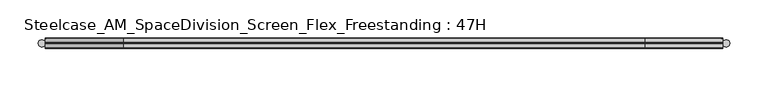
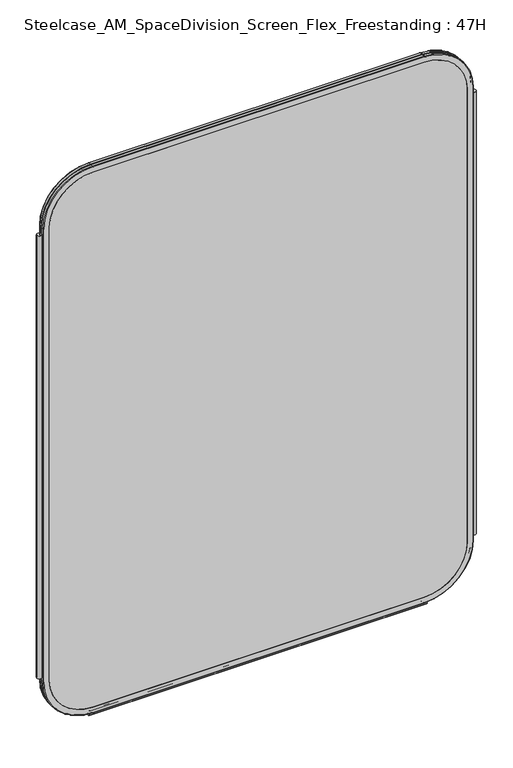
"""IFC4 building model written with IfcOpenShell, lengths in millimetres: furniture geometry, Steelcase_AM_SpaceDivision_Screen_Flex_Freestanding : 47H."""

from ifc_helpers import new_model, si_unit, point, frame, frame_2d, origin, place, context, project, spatial, polyline, circle_curve, ellipse_curve, trimmed, segment, composite_curve, outline, extrude, source, transform, mapped, element, save
from ifc_brep_helpers import plane_surface, cylinder_surface, revolved_surface, advanced_brep


def steelcase_am_spacedivision_screen_flex_freestanding_47h_c3e81d6d(model_context):
    return source(origin(), model_context, "Body", "SolidModel", [
        extrude(outline(composite_curve([segment(trimmed(circle_curve(frame_2d((4.5307839, 0.0)), 4.572), [point((-0.0412161, 0.0))], [point((9.1027839, 0.0))], False, "CARTESIAN"), True, "CONTINUOUS"), segment(trimmed(circle_curve(frame_2d((4.5307839, 0.0)), 4.572), [point((9.1027839, 0.0))], [point((-0.0412161, 0.0))], False, "CARTESIAN"), True, "CONTINUOUS")], self_intersect=False)), frame((0.0, 0.0, 115.57), z_axis=(0.0, 0.0, 1.0), x_axis=(1.0, 0.0, 0.0)), (0.0, 0.0, 1.0), 962.66),
        extrude(outline(composite_curve([segment(trimmed(circle_curve(frame_2d((898.7749587, 0.0)), 4.572), [point((894.2029587, 0.0))], [point((903.3469587, 0.0))], False, "CARTESIAN"), True, "CONTINUOUS"), segment(trimmed(circle_curve(frame_2d((898.7749587, 0.0)), 4.572), [point((903.3469587, 0.0))], [point((894.2029587, 0.0))], False, "CARTESIAN"), True, "CONTINUOUS")], self_intersect=False)), frame((0.0, 0.0, 115.57), z_axis=(0.0, 0.0, 1.0), x_axis=(1.0, 0.0, 0.0)), (0.0, 0.0, 1.0), 962.66),
        extrude(outline(composite_curve([segment(trimmed(circle_curve(frame_2d((3.5, 2.4751953)), 2.5), [point((3.5, 4.9751953))], [point((1.4656663, 1.0220998))], False, "CARTESIAN"), True, "CONTINUOUS"), segment(trimmed(circle_curve(frame_2d((0.0, -0.0248047)), 1.8011626), [point((1.4656663, 1.0220998))], [point((-1.4656663, 1.0220998))], True, "CARTESIAN"), True, "CONTINUOUS"), segment(trimmed(circle_curve(frame_2d((-3.5, 2.4751953)), 2.5), [point((-1.4656663, 1.0220998))], [point((-3.5, 4.9751953))], False, "CARTESIAN"), True, "CONTINUOUS"), segment(trimmed(circle_curve(frame_2d((-3.5, 4.4751953)), 0.5), [point((-3.5, 4.9751953))], [point((-3.5, 3.9751953))], False, "CARTESIAN"), True, "CONTINUOUS"), segment(trimmed(circle_curve(frame_2d((-3.5, 2.4751953)), 1.5), [point((-3.5, 3.9751953))], [point((-2.3025096, 1.5718589))], True, "CARTESIAN"), True, "CONTINUOUS"), segment(trimmed(circle_curve(frame_2d((-10.3325937, 7.629417)), 10.0586411), [point((-2.3025096, 1.5718589))], [point((-0.714976, 4.6836248))], True, "CARTESIAN"), True, "CONTINUOUS"), segment(trimmed(circle_curve(frame_2d((0.0, 4.4646339)), 0.7477618), [point((-0.714976, 4.6836248))], [point((0.714976, 4.6836248))], False, "CARTESIAN"), True, "CONTINUOUS"), segment(trimmed(circle_curve(frame_2d((10.3325937, 7.629417)), 10.0586411), [point((0.714976, 4.6836248))], [point((2.3025096, 1.5718589))], True, "CARTESIAN"), True, "CONTINUOUS"), segment(trimmed(circle_curve(frame_2d((3.5, 2.4751953)), 1.5), [point((2.3025096, 1.5718589))], [point((3.5, 3.9751953))], True, "CARTESIAN"), True, "CONTINUOUS"), segment(trimmed(circle_curve(frame_2d((3.5, 4.4751953)), 0.5), [point((3.5, 3.9751953))], [point((3.5, 4.9751953))], False, "CARTESIAN"), True, "CONTINUOUS")], self_intersect=False)), frame((104.1640108, 0.0, 0.0), z_axis=(1.0, 0.0, 0.0), x_axis=(0.0, 1.0, 0.0)), (0.0, 0.0, 1.0), 694.9777209),
        advanced_brep(
        [(9.9273521, 0.0, 1092.2), (9.9273521, 0.0, 106.5996464), (110.7653521, 0.0, 5.7616464), (792.5652086, 0.0, 5.7616464), (893.4032086, 0.0, 106.5996464), (893.4032086, 0.0, 1092.2), (792.5652086, 0.0, 1193.038), (110.7653521, 0.0, 1193.038), (792.5652086, 0.0, 17.6996464), (110.7653521, 0.0, 17.6996464), (21.8653521, 0.0, 106.5996464), (21.8653521, 0.0, 1092.2), (110.7653521, 0.0, 1181.1), (792.5652086, 0.0, 1181.1), (881.4652086, 0.0, 1092.2), (881.4652086, 0.0, 106.5996464), (110.7653521, 0.762, 1193.8), (9.1653521, 0.762, 1092.2), (110.7653521, 6.096, 1193.8), (9.1653521, 6.096, 1092.2), (110.7653521, 6.858, 1193.038), (9.9273521, 6.858, 1092.2), (21.8653521, 6.858, 1092.2), (110.7653521, 6.858, 1181.1), (792.5652086, 0.762, 1193.8), (792.5652086, 6.096, 1193.8), (792.5652086, 6.858, 1193.038), (792.5652086, 6.858, 1181.1), (894.1652086, 0.762, 1092.2), (894.1652086, 6.096, 1092.2), (893.4032086, 6.858, 1092.2), (881.4652086, 6.858, 1092.2), (894.1652086, 0.762, 106.5996464), (894.1652086, 6.096, 106.5996464), (893.4032086, 6.858, 106.5996464), (881.4652086, 6.858, 106.5996464), (792.5652086, 0.762, 4.9996464), (792.5652086, 6.096, 4.9996464), (792.5652086, 6.858, 5.7616464), (792.5652086, 6.858, 17.6996464), (110.7653521, 0.762, 4.9996464), (110.7653521, 6.096, 4.9996464), (110.7653521, 6.858, 5.7616464), (110.7653521, 6.858, 17.6996464), (9.1653521, 0.762, 106.5996464), (9.1653521, 6.096, 106.5996464), (9.9273521, 6.858, 106.5996464), (21.8653521, 6.858, 106.5996464)],
        [
            (0, 1),
            (1, 2, circle_curve(frame((110.7653521, 0.0, 106.5996464), z_axis=(0.0, -1.0, 0.0), x_axis=(0.0, 0.0, -1.0)), 100.838)),
            (2, 3),
            (3, 4, circle_curve(frame((792.5652086, 0.0, 106.5996464), z_axis=(0.0, -1.0, 0.0), x_axis=(1.0, 0.0, 0.0)), 100.838)),
            (4, 5),
            (5, 6, circle_curve(frame((792.5652086, 0.0, 1092.2), z_axis=(0.0, -1.0, 0.0), x_axis=(0.0, 0.0, 1.0)), 100.838)),
            (6, 7),
            (7, 0, circle_curve(frame((110.7653521, 0.0, 1092.2), z_axis=(0.0, -1.0, 0.0), x_axis=(-1.0, 0.0, 0.0)), 100.838)),
            (8, 9),
            (9, 10, circle_curve(frame((110.7653521, 0.0, 106.5996464), z_axis=(0.0, 1.0, 0.0), x_axis=(0.0, 0.0, -1.0)), 88.9)),
            (10, 11),
            (11, 12, circle_curve(frame((110.7653521, 0.0, 1092.2), z_axis=(0.0, 1.0, 0.0), x_axis=(-1.0, 0.0, 0.0)), 88.9)),
            (12, 13),
            (13, 14, circle_curve(frame((792.5652086, 0.0, 1092.2), z_axis=(0.0, 1.0, 0.0), x_axis=(0.0, 0.0, 1.0)), 88.9)),
            (14, 15),
            (15, 8, circle_curve(frame((792.5652086, 0.0, 106.5996464), z_axis=(0.0, 1.0, 0.0), x_axis=(1.0, 0.0, 0.0)), 88.9)),
            (16, 17, circle_curve(frame((110.7653521, 0.762, 1092.2), z_axis=(0.0, -1.0, 0.0), x_axis=(-1.0, 0.0, 0.0)), 101.6)),
            (17, 0, circle_curve(frame((9.9273521, 0.762, 1092.2), z_axis=(0.0, 0.0, 1.0), x_axis=(-1.0, 0.0, 0.0)), 0.762)),
            (7, 16, circle_curve(frame((110.7653521, 0.762, 1193.038), z_axis=(-1.0, 0.0, 0.0), x_axis=(0.0, 0.0, 1.0)), 0.762)),
            (18, 19, circle_curve(frame((110.7653521, 6.096, 1092.2), z_axis=(0.0, -1.0, 0.0), x_axis=(-1.0, 0.0, 0.0)), 101.6)),
            (19, 17),
            (16, 18),
            (20, 21, circle_curve(frame((110.7653521, 6.858, 1092.2), z_axis=(0.0, -1.0, 0.0), x_axis=(-1.0, 0.0, 0.0)), 100.838)),
            (21, 19, circle_curve(frame((9.9273521, 6.096, 1092.2), z_axis=(0.0, 0.0, 1.0), x_axis=(-1.0, 0.0, 0.0)), 0.762)),
            (18, 20, circle_curve(frame((110.7653521, 6.096, 1193.038), z_axis=(-1.0, 0.0, 0.0), x_axis=(0.0, 0.0, 1.0)), 0.762)),
            (11, 22),
            (22, 23, circle_curve(frame((110.7653521, 6.858, 1092.2), z_axis=(0.0, 1.0, 0.0), x_axis=(-1.0, 0.0, 0.0)), 88.9)),
            (23, 12),
            (6, 24, circle_curve(frame((792.5652086, 0.762, 1193.038), z_axis=(-1.0, 0.0, 0.0), x_axis=(0.0, 0.0, 1.0)), 0.762)),
            (24, 16),
            (24, 25),
            (25, 18),
            (25, 26, circle_curve(frame((792.5652086, 6.096, 1193.038), z_axis=(-1.0, 0.0, 0.0), x_axis=(0.0, 0.0, 1.0)), 0.762)),
            (26, 20),
            (23, 27),
            (27, 13),
            (28, 24, circle_curve(frame((792.5652086, 0.762, 1092.2), z_axis=(0.0, -1.0, 0.0), x_axis=(0.0, 0.0, 1.0)), 101.6)),
            (5, 28, circle_curve(frame((893.4032086, 0.762, 1092.2), z_axis=(0.0, 0.0, 1.0), x_axis=(1.0, 0.0, 0.0)), 0.762)),
            (29, 25, circle_curve(frame((792.5652086, 6.096, 1092.2), z_axis=(0.0, -1.0, 0.0), x_axis=(0.0, 0.0, 1.0)), 101.6)),
            (28, 29),
            (30, 26, circle_curve(frame((792.5652086, 6.858, 1092.2), z_axis=(0.0, -1.0, 0.0), x_axis=(0.0, 0.0, 1.0)), 100.838)),
            (29, 30, circle_curve(frame((893.4032086, 6.096, 1092.2), z_axis=(0.0, 0.0, 1.0), x_axis=(1.0, 0.0, 0.0)), 0.762)),
            (27, 31, circle_curve(frame((792.5652086, 6.858, 1092.2), z_axis=(0.0, 1.0, 0.0), x_axis=(0.0, 0.0, 1.0)), 88.9)),
            (31, 14),
            (4, 32, circle_curve(frame((893.4032086, 0.762, 106.5996464), z_axis=(0.0, 0.0, 1.0), x_axis=(1.0, 0.0, 0.0)), 0.762)),
            (32, 28),
            (32, 33),
            (33, 29),
            (33, 34, circle_curve(frame((893.4032086, 6.096, 106.5996464), z_axis=(0.0, 0.0, 1.0), x_axis=(1.0, 0.0, 0.0)), 0.762)),
            (34, 30),
            (31, 35),
            (35, 15),
            (36, 32, circle_curve(frame((792.5652086, 0.762, 106.5996464), z_axis=(0.0, -1.0, 0.0), x_axis=(1.0, 0.0, 0.0)), 101.6)),
            (3, 36, circle_curve(frame((792.5652086, 0.762, 5.7616464), z_axis=(1.0, 0.0, 0.0), x_axis=(0.0, 0.0, -1.0)), 0.762)),
            (37, 33, circle_curve(frame((792.5652086, 6.096, 106.5996464), z_axis=(0.0, -1.0, 0.0), x_axis=(1.0, 0.0, 0.0)), 101.6)),
            (36, 37),
            (38, 34, circle_curve(frame((792.5652086, 6.858, 106.5996464), z_axis=(0.0, -1.0, 0.0), x_axis=(1.0, 0.0, 0.0)), 100.838)),
            (37, 38, circle_curve(frame((792.5652086, 6.096, 5.7616464), z_axis=(1.0, 0.0, 0.0), x_axis=(0.0, 0.0, -1.0)), 0.762)),
            (35, 39, circle_curve(frame((792.5652086, 6.858, 106.5996464), z_axis=(0.0, 1.0, 0.0), x_axis=(1.0, 0.0, 0.0)), 88.9)),
            (39, 8),
            (2, 40, circle_curve(frame((110.7653521, 0.762, 5.7616464), z_axis=(1.0, 0.0, 0.0), x_axis=(0.0, 0.0, -1.0)), 0.762)),
            (40, 36),
            (40, 41),
            (41, 37),
            (41, 42, circle_curve(frame((110.7653521, 6.096, 5.7616464), z_axis=(1.0, 0.0, 0.0), x_axis=(0.0, 0.0, -1.0)), 0.762)),
            (42, 38),
            (39, 43),
            (43, 9),
            (44, 40, circle_curve(frame((110.7653521, 0.762, 106.5996464), z_axis=(0.0, -1.0, 0.0), x_axis=(0.0, 0.0, -1.0)), 101.6)),
            (1, 44, circle_curve(frame((9.9273521, 0.762, 106.5996464), z_axis=(0.0, 0.0, -1.0), x_axis=(-1.0, 0.0, 0.0)), 0.762)),
            (45, 41, circle_curve(frame((110.7653521, 6.096, 106.5996464), z_axis=(0.0, -1.0, 0.0), x_axis=(0.0, 0.0, -1.0)), 101.6)),
            (44, 45),
            (46, 42, circle_curve(frame((110.7653521, 6.858, 106.5996464), z_axis=(0.0, -1.0, 0.0), x_axis=(0.0, 0.0, -1.0)), 100.838)),
            (45, 46, circle_curve(frame((9.9273521, 6.096, 106.5996464), z_axis=(0.0, 0.0, -1.0), x_axis=(-1.0, 0.0, 0.0)), 0.762)),
            (43, 47, circle_curve(frame((110.7653521, 6.858, 106.5996464), z_axis=(0.0, 1.0, 0.0), x_axis=(0.0, 0.0, -1.0)), 88.9)),
            (47, 10),
            (17, 44),
            (19, 45),
            (21, 46),
            (22, 47),
        ],
        [
            plane_surface(frame((21.8653521, 0.0, 106.5996464), z_axis=(0.0, -1.0, 0.0), x_axis=(0.0, 0.0, 1.0))),
            revolved_surface(trimmed(ellipse_curve(frame((9.9273521, 0.762, 1092.2), z_axis=(0.0, 0.0, -1.0), x_axis=(-1.0, 0.0, 0.0)), 0.762, 0.762), [point((9.9273521, 0.0, 1092.2))], [point((9.1653521, 0.762, 1092.2))], True, "CARTESIAN"), (110.7653521, 0.0, 1092.2), (0.0, 1.0, 0.0)),
            cylinder_surface(frame((110.7653521, 0.0, 1092.2), z_axis=(0.0, 1.0, 0.0), x_axis=(-1.0, 0.0, 0.0)), 101.6),
            revolved_surface(trimmed(ellipse_curve(frame((9.9273521, 6.096, 1092.2), z_axis=(0.0, 0.0, -1.0), x_axis=(-1.0, 0.0, 0.0)), 0.762, 0.762), [point((9.1653521, 6.096, 1092.2))], [point((9.9273521, 6.858, 1092.2))], True, "CARTESIAN"), (110.7653521, 0.0, 1092.2), (0.0, 1.0, 0.0)),
            revolved_surface(polyline([(21.865352099999996, 6.858, 1092.2), (21.865352099999996, 0.0, 1092.2)]), (110.7653521, 0.0, 1092.2), (0.0, 1.0, 0.0)),
            cylinder_surface(frame((110.7653521, 0.762, 1193.038), z_axis=(-1.0, 0.0, 0.0), x_axis=(0.0, 0.0, 1.0)), 0.762),
            plane_surface(frame((110.7653521, 0.762, 1193.8), z_axis=(0.0, 0.0, 1.0), x_axis=(1.0, 0.0, 0.0))),
            cylinder_surface(frame((110.7653521, 6.096, 1193.038), z_axis=(-1.0, 0.0, 0.0), x_axis=(0.0, 0.0, 1.0)), 0.762),
            plane_surface(frame((110.7653521, 6.858, 1181.1), z_axis=(0.0, 0.0, -1.0), x_axis=(1.0, 0.0, 0.0))),
            revolved_surface(trimmed(ellipse_curve(frame((792.5652086, 0.762, 1193.038), z_axis=(-1.0, 0.0, 0.0), x_axis=(0.0, 0.0, 1.0)), 0.762, 0.762), [point((792.5652086, 0.0, 1193.038))], [point((792.5652086, 0.762, 1193.8))], True, "CARTESIAN"), (792.5652086, 0.0, 1092.2), (0.0, 1.0, 0.0)),
            cylinder_surface(frame((792.5652086, 0.0, 1092.2), z_axis=(0.0, 1.0, 0.0), x_axis=(0.0, 0.0, 1.0)), 101.6),
            revolved_surface(trimmed(ellipse_curve(frame((792.5652086, 6.096, 1193.038), z_axis=(-1.0, 0.0, 0.0), x_axis=(0.0, 0.0, 1.0)), 0.762, 0.762), [point((792.5652086, 6.096, 1193.8))], [point((792.5652086, 6.858, 1193.038))], True, "CARTESIAN"), (792.5652086, 0.0, 1092.2), (0.0, 1.0, 0.0)),
            revolved_surface(polyline([(792.5652086, 6.858, 1181.1000000000001), (792.5652086, 0.0, 1181.1000000000001)]), (792.5652086, 0.0, 1092.2), (0.0, 1.0, 0.0)),
            cylinder_surface(frame((893.4032086, 0.762, 1092.2), z_axis=(0.0, 0.0, 1.0), x_axis=(1.0, 0.0, 0.0)), 0.762),
            plane_surface(frame((894.1652086, 0.762, 1092.2), z_axis=(1.0, 0.0, 0.0), x_axis=(0.0, 0.0, -1.0))),
            cylinder_surface(frame((893.4032086, 6.096, 1092.2), z_axis=(0.0, 0.0, 1.0), x_axis=(1.0, 0.0, 0.0)), 0.762),
            plane_surface(frame((881.4652086, 6.858, 1092.2), z_axis=(-1.0, 0.0, 0.0), x_axis=(0.0, 0.0, -1.0))),
            revolved_surface(trimmed(ellipse_curve(frame((893.4032086, 0.762, 106.5996464), z_axis=(0.0, 0.0, 1.0), x_axis=(1.0, 0.0, 0.0)), 0.762, 0.762), [point((893.4032086, 0.0, 106.5996464))], [point((894.1652086, 0.762, 106.5996464))], True, "CARTESIAN"), (792.5652086, 0.0, 106.5996464), (0.0, 1.0, 0.0)),
            cylinder_surface(frame((792.5652086, 0.0, 106.5996464), z_axis=(0.0, 1.0, 0.0), x_axis=(1.0, 0.0, 0.0)), 101.6),
            revolved_surface(trimmed(ellipse_curve(frame((893.4032086, 6.096, 106.5996464), z_axis=(0.0, 0.0, 1.0), x_axis=(1.0, 0.0, 0.0)), 0.762, 0.762), [point((894.1652086, 6.096, 106.5996464))], [point((893.4032086, 6.858, 106.5996464))], True, "CARTESIAN"), (792.5652086, 0.0, 106.5996464), (0.0, 1.0, 0.0)),
            revolved_surface(polyline([(881.4652086, 6.858, 106.5996464), (881.4652086, 0.0, 106.5996464)]), (792.5652086, 0.0, 106.5996464), (0.0, 1.0, 0.0)),
            cylinder_surface(frame((792.5652086, 0.762, 5.7616464), z_axis=(1.0, 0.0, 0.0), x_axis=(0.0, 0.0, -1.0)), 0.762),
            plane_surface(frame((792.5652086, 0.762, 4.9996464), z_axis=(0.0, 0.0, -1.0), x_axis=(-1.0, 0.0, 0.0))),
            cylinder_surface(frame((792.5652086, 6.096, 5.7616464), z_axis=(1.0, 0.0, 0.0), x_axis=(0.0, 0.0, -1.0)), 0.762),
            plane_surface(frame((792.5652086, 6.858, 17.6996464), z_axis=(0.0, 0.0, 1.0), x_axis=(-1.0, 0.0, 0.0))),
            revolved_surface(trimmed(ellipse_curve(frame((110.7653521, 0.762, 5.7616464), z_axis=(1.0, 0.0, 0.0), x_axis=(0.0, 0.0, -1.0)), 0.762, 0.762), [point((110.7653521, 0.0, 5.7616464))], [point((110.7653521, 0.762, 4.9996464))], True, "CARTESIAN"), (110.7653521, 0.0, 106.5996464), (0.0, 1.0, 0.0)),
            cylinder_surface(frame((110.7653521, 0.0, 106.5996464), z_axis=(0.0, 1.0, 0.0), x_axis=(0.0, 0.0, -1.0)), 101.6),
            revolved_surface(trimmed(ellipse_curve(frame((110.7653521, 6.096, 5.7616464), z_axis=(1.0, 0.0, 0.0), x_axis=(0.0, 0.0, -1.0)), 0.762, 0.762), [point((110.7653521, 6.096, 4.9996464))], [point((110.7653521, 6.858, 5.7616464))], True, "CARTESIAN"), (110.7653521, 0.0, 106.5996464), (0.0, 1.0, 0.0)),
            revolved_surface(polyline([(110.7653521, 6.858, 17.699646399999992), (110.7653521, 0.0, 17.699646399999992)]), (110.7653521, 0.0, 106.5996464), (0.0, 1.0, 0.0)),
            cylinder_surface(frame((9.9273521, 0.762, 106.5996464), z_axis=(0.0, 0.0, -1.0), x_axis=(-1.0, 0.0, 0.0)), 0.762),
            plane_surface(frame((9.1653521, 0.762, 106.5996464), z_axis=(-1.0, 0.0, 0.0), x_axis=(0.0, 0.0, 1.0))),
            cylinder_surface(frame((9.9273521, 6.096, 106.5996464), z_axis=(0.0, 0.0, -1.0), x_axis=(-1.0, 0.0, 0.0)), 0.762),
            plane_surface(frame((9.9273521, 6.858, 106.5996464), z_axis=(0.0, 1.0, 0.0), x_axis=(0.0, 0.0, 1.0))),
            plane_surface(frame((21.8653521, 6.858, 106.5996464), z_axis=(1.0, 0.0, 0.0), x_axis=(0.0, 0.0, 1.0))),
        ],
        [
            (0, [[1, 2, 3, 4, 5, 6, 7, 8], [9, 10, 11, 12, 13, 14, 15, 16]]),
            (1, [[17, 18, -8, 19]]),
            (2, [[20, 21, -17, 22]]),
            (3, [[23, 24, -20, 25]]),
            (4, [[-12, 26, 27, 28]]),
            (5, [[-19, -7, 29, 30]]),
            (6, [[-22, -30, 31, 32]]),
            (7, [[-25, -32, 33, 34]]),
            (8, [[-28, 35, 36, -13]]),
            (9, [[37, -29, -6, 38]]),
            (10, [[39, -31, -37, 40]]),
            (11, [[41, -33, -39, 42]]),
            (12, [[-14, -36, 43, 44]]),
            (13, [[-38, -5, 45, 46]]),
            (14, [[-40, -46, 47, 48]]),
            (15, [[-42, -48, 49, 50]]),
            (16, [[-44, 51, 52, -15]]),
            (17, [[53, -45, -4, 54]]),
            (18, [[55, -47, -53, 56]]),
            (19, [[57, -49, -55, 58]]),
            (20, [[-16, -52, 59, 60]]),
            (21, [[-54, -3, 61, 62]]),
            (22, [[-56, -62, 63, 64]]),
            (23, [[-58, -64, 65, 66]]),
            (24, [[-60, 67, 68, -9]]),
            (25, [[69, -61, -2, 70]]),
            (26, [[71, -63, -69, 72]]),
            (27, [[73, -65, -71, 74]]),
            (28, [[-10, -68, 75, 76]]),
            (29, [[-70, -1, -18, 77]]),
            (30, [[-72, -77, -21, 78]]),
            (31, [[-74, -78, -24, 79]]),
            (32, [[-66, -73, -79, -23, -34, -41, -50, -57], [80, -75, -67, -59, -51, -43, -35, -27]]),
            (33, [[-76, -80, -26, -11]]),
        ],
    ),
        extrude(outline(composite_curve([segment(polyline([(1181.1, 792.5652086), (1181.1, 110.7653521)]), True, "CONTINUOUS"), segment(trimmed(circle_curve(frame_2d((1092.2, 110.7653521)), 88.9), [point((1181.1, 110.7653521))], [point((1092.2, 21.8653521))], False, "CARTESIAN"), True, "CONTINUOUS"), segment(polyline([(1092.2, 21.8653521), (106.5996464, 21.8653521)]), True, "CONTINUOUS"), segment(trimmed(circle_curve(frame_2d((106.5996464, 110.7653521)), 88.9), [point((106.5996464, 21.8653521))], [point((17.6996464, 110.7653521))], False, "CARTESIAN"), True, "CONTINUOUS"), segment(polyline([(17.6996464, 110.7653521), (17.6996464, 792.5652086)]), True, "CONTINUOUS"), segment(trimmed(circle_curve(frame_2d((106.5996464, 792.5652086)), 88.9), [point((17.6996464, 792.5652086))], [point((106.5996464, 881.4652086))], False, "CARTESIAN"), True, "CONTINUOUS"), segment(polyline([(106.5996464, 881.4652086), (1092.2, 881.4652086)]), True, "CONTINUOUS"), segment(trimmed(circle_curve(frame_2d((1092.2, 792.5652086)), 88.9), [point((1092.2, 881.4652086))], [point((1181.1, 792.5652086))], False, "CARTESIAN"), True, "CONTINUOUS")], self_intersect=False)), frame((0.0, 0.0, 0.0), z_axis=(0.0, 1.0, 0.0), x_axis=(0.0, 0.0, 1.0)), (0.0, 0.0, 1.0), 6.858),
        advanced_brep(
        [(110.7653521, -6.858, 1181.1), (21.8653521, -6.858, 1092.2), (21.8653521, 0.0, 1092.2), (110.7653521, 0.0, 1181.1), (110.7653521, -6.096, 1193.8), (9.1653521, -6.096, 1092.2), (9.9273521, -6.858, 1092.2), (110.7653521, -6.858, 1193.038), (110.7653521, -0.762, 1193.8), (9.1653521, -0.762, 1092.2), (110.7653521, 0.0, 1193.038), (9.9273521, 0.0, 1092.2), (792.5652086, 0.0, 1181.1), (792.5652086, -6.858, 1181.1), (792.5652086, -6.858, 1193.038), (792.5652086, -6.096, 1193.8), (792.5652086, -0.762, 1193.8), (792.5652086, 0.0, 1193.038), (881.4652086, -6.858, 1092.2), (881.4652086, 0.0, 1092.2), (894.1652086, -6.096, 1092.2), (893.4032086, -6.858, 1092.2), (894.1652086, -0.762, 1092.2), (893.4032086, 0.0, 1092.2), (881.4652086, 0.0, 106.5996464), (881.4652086, -6.858, 106.5996464), (893.4032086, -6.858, 106.5996464), (894.1652086, -6.096, 106.5996464), (894.1652086, -0.762, 106.5996464), (893.4032086, 0.0, 106.5996464), (792.5652086, -6.858, 17.6996464), (792.5652086, 0.0, 17.6996464), (792.5652086, -6.096, 4.9996464), (792.5652086, -6.858, 5.7616464), (792.5652086, -0.762, 4.9996464), (792.5652086, 0.0, 5.7616464), (110.7653521, 0.0, 17.6996464), (110.7653521, -6.858, 17.6996464), (110.7653521, -6.858, 5.7616464), (110.7653521, -6.096, 4.9996464), (110.7653521, -0.762, 4.9996464), (110.7653521, 0.0, 5.7616464), (21.8653521, -6.858, 106.5996464), (21.8653521, 0.0, 106.5996464), (9.1653521, -6.096, 106.5996464), (9.9273521, -6.858, 106.5996464), (9.1653521, -0.762, 106.5996464), (9.9273521, 0.0, 106.5996464)],
        [
            (0, 1, circle_curve(frame((110.7653521, -6.858, 1092.2), z_axis=(0.0, -1.0, 0.0), x_axis=(-1.0, 0.0, 0.0)), 88.9)),
            (1, 2),
            (2, 3, circle_curve(frame((110.7653521, 0.0, 1092.2), z_axis=(0.0, 1.0, 0.0), x_axis=(-1.0, 0.0, 0.0)), 88.9)),
            (3, 0),
            (4, 5, circle_curve(frame((110.7653521, -6.096, 1092.2), z_axis=(0.0, -1.0, 0.0), x_axis=(-1.0, 0.0, 0.0)), 101.6)),
            (5, 6, circle_curve(frame((9.9273521, -6.096, 1092.2), z_axis=(0.0, 0.0, 1.0), x_axis=(-1.0, 0.0, 0.0)), 0.762)),
            (6, 7, circle_curve(frame((110.7653521, -6.858, 1092.2), z_axis=(0.0, 1.0, 0.0), x_axis=(-1.0, 0.0, 0.0)), 100.838)),
            (7, 4, circle_curve(frame((110.7653521, -6.096, 1193.038), z_axis=(-1.0, 0.0, 0.0), x_axis=(0.0, 0.0, 1.0)), 0.762)),
            (8, 9, circle_curve(frame((110.7653521, -0.762, 1092.2), z_axis=(0.0, -1.0, 0.0), x_axis=(-1.0, 0.0, 0.0)), 101.6)),
            (9, 5),
            (4, 8),
            (10, 11, circle_curve(frame((110.7653521, 0.0, 1092.2), z_axis=(0.0, -1.0, 0.0), x_axis=(-1.0, 0.0, 0.0)), 100.838)),
            (11, 9, circle_curve(frame((9.9273521, -0.762, 1092.2), z_axis=(0.0, 0.0, 1.0), x_axis=(-1.0, 0.0, 0.0)), 0.762)),
            (8, 10, circle_curve(frame((110.7653521, -0.762, 1193.038), z_axis=(-1.0, 0.0, 0.0), x_axis=(0.0, 0.0, 1.0)), 0.762)),
            (3, 12),
            (12, 13),
            (13, 0),
            (7, 14),
            (14, 15, circle_curve(frame((792.5652086, -6.096, 1193.038), z_axis=(-1.0, 0.0, 0.0), x_axis=(0.0, 0.0, 1.0)), 0.762)),
            (15, 4),
            (15, 16),
            (16, 8),
            (16, 17, circle_curve(frame((792.5652086, -0.762, 1193.038), z_axis=(-1.0, 0.0, 0.0), x_axis=(0.0, 0.0, 1.0)), 0.762)),
            (17, 10),
            (18, 13, circle_curve(frame((792.5652086, -6.858, 1092.2), z_axis=(0.0, -1.0, 0.0), x_axis=(0.0, 0.0, 1.0)), 88.9)),
            (12, 19, circle_curve(frame((792.5652086, 0.0, 1092.2), z_axis=(0.0, 1.0, 0.0), x_axis=(0.0, 0.0, 1.0)), 88.9)),
            (19, 18),
            (20, 15, circle_curve(frame((792.5652086, -6.096, 1092.2), z_axis=(0.0, -1.0, 0.0), x_axis=(0.0, 0.0, 1.0)), 101.6)),
            (14, 21, circle_curve(frame((792.5652086, -6.858, 1092.2), z_axis=(0.0, 1.0, 0.0), x_axis=(0.0, 0.0, 1.0)), 100.838)),
            (21, 20, circle_curve(frame((893.4032086, -6.096, 1092.2), z_axis=(0.0, 0.0, 1.0), x_axis=(1.0, 0.0, 0.0)), 0.762)),
            (22, 16, circle_curve(frame((792.5652086, -0.762, 1092.2), z_axis=(0.0, -1.0, 0.0), x_axis=(0.0, 0.0, 1.0)), 101.6)),
            (20, 22),
            (23, 17, circle_curve(frame((792.5652086, 0.0, 1092.2), z_axis=(0.0, -1.0, 0.0), x_axis=(0.0, 0.0, 1.0)), 100.838)),
            (22, 23, circle_curve(frame((893.4032086, -0.762, 1092.2), z_axis=(0.0, 0.0, 1.0), x_axis=(1.0, 0.0, 0.0)), 0.762)),
            (19, 24),
            (24, 25),
            (25, 18),
            (21, 26),
            (26, 27, circle_curve(frame((893.4032086, -6.096, 106.5996464), z_axis=(0.0, 0.0, 1.0), x_axis=(1.0, 0.0, 0.0)), 0.762)),
            (27, 20),
            (27, 28),
            (28, 22),
            (28, 29, circle_curve(frame((893.4032086, -0.762, 106.5996464), z_axis=(0.0, 0.0, 1.0), x_axis=(1.0, 0.0, 0.0)), 0.762)),
            (29, 23),
            (30, 25, circle_curve(frame((792.5652086, -6.858, 106.5996464), z_axis=(0.0, -1.0, 0.0), x_axis=(1.0, 0.0, 0.0)), 88.9)),
            (24, 31, circle_curve(frame((792.5652086, 0.0, 106.5996464), z_axis=(0.0, 1.0, 0.0), x_axis=(1.0, 0.0, 0.0)), 88.9)),
            (31, 30),
            (32, 27, circle_curve(frame((792.5652086, -6.096, 106.5996464), z_axis=(0.0, -1.0, 0.0), x_axis=(1.0, 0.0, 0.0)), 101.6)),
            (26, 33, circle_curve(frame((792.5652086, -6.858, 106.5996464), z_axis=(0.0, 1.0, 0.0), x_axis=(1.0, 0.0, 0.0)), 100.838)),
            (33, 32, circle_curve(frame((792.5652086, -6.096, 5.7616464), z_axis=(1.0, 0.0, 0.0), x_axis=(0.0, 0.0, -1.0)), 0.762)),
            (34, 28, circle_curve(frame((792.5652086, -0.762, 106.5996464), z_axis=(0.0, -1.0, 0.0), x_axis=(1.0, 0.0, 0.0)), 101.6)),
            (32, 34),
            (35, 29, circle_curve(frame((792.5652086, 0.0, 106.5996464), z_axis=(0.0, -1.0, 0.0), x_axis=(1.0, 0.0, 0.0)), 100.838)),
            (34, 35, circle_curve(frame((792.5652086, -0.762, 5.7616464), z_axis=(1.0, 0.0, 0.0), x_axis=(0.0, 0.0, -1.0)), 0.762)),
            (31, 36),
            (36, 37),
            (37, 30),
            (33, 38),
            (38, 39, circle_curve(frame((110.7653521, -6.096, 5.7616464), z_axis=(1.0, 0.0, 0.0), x_axis=(0.0, 0.0, -1.0)), 0.762)),
            (39, 32),
            (39, 40),
            (40, 34),
            (40, 41, circle_curve(frame((110.7653521, -0.762, 5.7616464), z_axis=(1.0, 0.0, 0.0), x_axis=(0.0, 0.0, -1.0)), 0.762)),
            (41, 35),
            (42, 37, circle_curve(frame((110.7653521, -6.858, 106.5996464), z_axis=(0.0, -1.0, 0.0), x_axis=(0.0, 0.0, -1.0)), 88.9)),
            (36, 43, circle_curve(frame((110.7653521, 0.0, 106.5996464), z_axis=(0.0, 1.0, 0.0), x_axis=(0.0, 0.0, -1.0)), 88.9)),
            (43, 42),
            (44, 39, circle_curve(frame((110.7653521, -6.096, 106.5996464), z_axis=(0.0, -1.0, 0.0), x_axis=(0.0, 0.0, -1.0)), 101.6)),
            (38, 45, circle_curve(frame((110.7653521, -6.858, 106.5996464), z_axis=(0.0, 1.0, 0.0), x_axis=(0.0, 0.0, -1.0)), 100.838)),
            (45, 44, circle_curve(frame((9.9273521, -6.096, 106.5996464), z_axis=(0.0, 0.0, -1.0), x_axis=(-1.0, 0.0, 0.0)), 0.762)),
            (46, 40, circle_curve(frame((110.7653521, -0.762, 106.5996464), z_axis=(0.0, -1.0, 0.0), x_axis=(0.0, 0.0, -1.0)), 101.6)),
            (44, 46),
            (47, 41, circle_curve(frame((110.7653521, 0.0, 106.5996464), z_axis=(0.0, -1.0, 0.0), x_axis=(0.0, 0.0, -1.0)), 100.838)),
            (46, 47, circle_curve(frame((9.9273521, -0.762, 106.5996464), z_axis=(0.0, 0.0, -1.0), x_axis=(-1.0, 0.0, 0.0)), 0.762)),
            (43, 2),
            (1, 42),
            (6, 45),
            (5, 44),
            (9, 46),
            (11, 47),
        ],
        [
            revolved_surface(polyline([(21.865352099999996, 0.0, 1092.2), (21.865352099999996, -6.858, 1092.2)]), (110.7653521, 0.0, 1092.2), (0.0, 1.0, 0.0)),
            revolved_surface(trimmed(ellipse_curve(frame((9.9273521, -6.096, 1092.2), z_axis=(0.0, 0.0, -1.0), x_axis=(-1.0, 0.0, 0.0)), 0.762, 0.762), [point((9.9273521, -6.858, 1092.2))], [point((9.1653521, -6.096, 1092.2))], True, "CARTESIAN"), (110.7653521, 0.0, 1092.2), (0.0, 1.0, 0.0)),
            cylinder_surface(frame((110.7653521, 0.0, 1092.2), z_axis=(0.0, 1.0, 0.0), x_axis=(-1.0, 0.0, 0.0)), 101.6),
            revolved_surface(trimmed(ellipse_curve(frame((9.9273521, -0.762, 1092.2), z_axis=(0.0, 0.0, -1.0), x_axis=(-1.0, 0.0, 0.0)), 0.762, 0.762), [point((9.1653521, -0.762, 1092.2))], [point((9.9273521, 0.0, 1092.2))], True, "CARTESIAN"), (110.7653521, 0.0, 1092.2), (0.0, 1.0, 0.0)),
            plane_surface(frame((110.7653521, 0.0, 1181.1), z_axis=(0.0, 0.0, -1.0), x_axis=(1.0, 0.0, 0.0))),
            cylinder_surface(frame((110.7653521, -6.096, 1193.038), z_axis=(-1.0, 0.0, 0.0), x_axis=(0.0, 0.0, 1.0)), 0.762),
            plane_surface(frame((110.7653521, -6.096, 1193.8), z_axis=(0.0, 0.0, 1.0), x_axis=(1.0, 0.0, 0.0))),
            cylinder_surface(frame((110.7653521, -0.762, 1193.038), z_axis=(-1.0, 0.0, 0.0), x_axis=(0.0, 0.0, 1.0)), 0.762),
            revolved_surface(polyline([(792.5652086, 0.0, 1181.1000000000001), (792.5652086, -6.858, 1181.1000000000001)]), (792.5652086, 0.0, 1092.2), (0.0, 1.0, 0.0)),
            revolved_surface(trimmed(ellipse_curve(frame((792.5652086, -6.096, 1193.038), z_axis=(-1.0, 0.0, 0.0), x_axis=(0.0, 0.0, 1.0)), 0.762, 0.762), [point((792.5652086, -6.858, 1193.038))], [point((792.5652086, -6.096, 1193.8))], True, "CARTESIAN"), (792.5652086, 0.0, 1092.2), (0.0, 1.0, 0.0)),
            cylinder_surface(frame((792.5652086, 0.0, 1092.2), z_axis=(0.0, 1.0, 0.0), x_axis=(0.0, 0.0, 1.0)), 101.6),
            revolved_surface(trimmed(ellipse_curve(frame((792.5652086, -0.762, 1193.038), z_axis=(-1.0, 0.0, 0.0), x_axis=(0.0, 0.0, 1.0)), 0.762, 0.762), [point((792.5652086, -0.762, 1193.8))], [point((792.5652086, 0.0, 1193.038))], True, "CARTESIAN"), (792.5652086, 0.0, 1092.2), (0.0, 1.0, 0.0)),
            plane_surface(frame((881.4652086, 0.0, 1092.2), z_axis=(-1.0, 0.0, 0.0), x_axis=(0.0, 0.0, -1.0))),
            cylinder_surface(frame((893.4032086, -6.096, 1092.2), z_axis=(0.0, 0.0, 1.0), x_axis=(1.0, 0.0, 0.0)), 0.762),
            plane_surface(frame((894.1652086, -6.096, 1092.2), z_axis=(1.0, 0.0, 0.0), x_axis=(0.0, 0.0, -1.0))),
            cylinder_surface(frame((893.4032086, -0.762, 1092.2), z_axis=(0.0, 0.0, 1.0), x_axis=(1.0, 0.0, 0.0)), 0.762),
            revolved_surface(polyline([(881.4652086, 0.0, 106.5996464), (881.4652086, -6.858, 106.5996464)]), (792.5652086, 0.0, 106.5996464), (0.0, 1.0, 0.0)),
            revolved_surface(trimmed(ellipse_curve(frame((893.4032086, -6.096, 106.5996464), z_axis=(0.0, 0.0, 1.0), x_axis=(1.0, 0.0, 0.0)), 0.762, 0.762), [point((893.4032086, -6.858, 106.5996464))], [point((894.1652086, -6.096, 106.5996464))], True, "CARTESIAN"), (792.5652086, 0.0, 106.5996464), (0.0, 1.0, 0.0)),
            cylinder_surface(frame((792.5652086, 0.0, 106.5996464), z_axis=(0.0, 1.0, 0.0), x_axis=(1.0, 0.0, 0.0)), 101.6),
            revolved_surface(trimmed(ellipse_curve(frame((893.4032086, -0.762, 106.5996464), z_axis=(0.0, 0.0, 1.0), x_axis=(1.0, 0.0, 0.0)), 0.762, 0.762), [point((894.1652086, -0.762, 106.5996464))], [point((893.4032086, 0.0, 106.5996464))], True, "CARTESIAN"), (792.5652086, 0.0, 106.5996464), (0.0, 1.0, 0.0)),
            plane_surface(frame((792.5652086, 0.0, 17.6996464), z_axis=(0.0, 0.0, 1.0), x_axis=(-1.0, 0.0, 0.0))),
            cylinder_surface(frame((792.5652086, -6.096, 5.7616464), z_axis=(1.0, 0.0, 0.0), x_axis=(0.0, 0.0, -1.0)), 0.762),
            plane_surface(frame((792.5652086, -6.096, 4.9996464), z_axis=(0.0, 0.0, -1.0), x_axis=(-1.0, 0.0, 0.0))),
            cylinder_surface(frame((792.5652086, -0.762, 5.7616464), z_axis=(1.0, 0.0, 0.0), x_axis=(0.0, 0.0, -1.0)), 0.762),
            revolved_surface(polyline([(110.7653521, 0.0, 17.699646399999992), (110.7653521, -6.858, 17.699646399999992)]), (110.7653521, 0.0, 106.5996464), (0.0, 1.0, 0.0)),
            revolved_surface(trimmed(ellipse_curve(frame((110.7653521, -6.096, 5.7616464), z_axis=(1.0, 0.0, 0.0), x_axis=(0.0, 0.0, -1.0)), 0.762, 0.762), [point((110.7653521, -6.858, 5.7616464))], [point((110.7653521, -6.096, 4.9996464))], True, "CARTESIAN"), (110.7653521, 0.0, 106.5996464), (0.0, 1.0, 0.0)),
            cylinder_surface(frame((110.7653521, 0.0, 106.5996464), z_axis=(0.0, 1.0, 0.0), x_axis=(0.0, 0.0, -1.0)), 101.6),
            revolved_surface(trimmed(ellipse_curve(frame((110.7653521, -0.762, 5.7616464), z_axis=(1.0, 0.0, 0.0), x_axis=(0.0, 0.0, -1.0)), 0.762, 0.762), [point((110.7653521, -0.762, 4.9996464))], [point((110.7653521, 0.0, 5.7616464))], True, "CARTESIAN"), (110.7653521, 0.0, 106.5996464), (0.0, 1.0, 0.0)),
            plane_surface(frame((21.8653521, 0.0, 106.5996464), z_axis=(1.0, 0.0, 0.0), x_axis=(0.0, 0.0, 1.0))),
            plane_surface(frame((21.8653521, -6.858, 106.5996464), z_axis=(0.0, -1.0, 0.0), x_axis=(0.0, 0.0, 1.0))),
            cylinder_surface(frame((9.9273521, -6.096, 106.5996464), z_axis=(0.0, 0.0, -1.0), x_axis=(-1.0, 0.0, 0.0)), 0.762),
            plane_surface(frame((9.1653521, -6.096, 106.5996464), z_axis=(-1.0, 0.0, 0.0), x_axis=(0.0, 0.0, 1.0))),
            cylinder_surface(frame((9.9273521, -0.762, 106.5996464), z_axis=(0.0, 0.0, -1.0), x_axis=(-1.0, 0.0, 0.0)), 0.762),
            plane_surface(frame((9.9273521, 0.0, 106.5996464), z_axis=(0.0, 1.0, 0.0), x_axis=(0.0, 0.0, 1.0))),
        ],
        [
            (0, [[1, 2, 3, 4]]),
            (1, [[5, 6, 7, 8]]),
            (2, [[9, 10, -5, 11]]),
            (3, [[12, 13, -9, 14]]),
            (4, [[-4, 15, 16, 17]]),
            (5, [[-8, 18, 19, 20]]),
            (6, [[-11, -20, 21, 22]]),
            (7, [[-14, -22, 23, 24]]),
            (8, [[25, -16, 26, 27]]),
            (9, [[28, -19, 29, 30]]),
            (10, [[31, -21, -28, 32]]),
            (11, [[33, -23, -31, 34]]),
            (12, [[-27, 35, 36, 37]]),
            (13, [[-30, 38, 39, 40]]),
            (14, [[-32, -40, 41, 42]]),
            (15, [[-34, -42, 43, 44]]),
            (16, [[45, -36, 46, 47]]),
            (17, [[48, -39, 49, 50]]),
            (18, [[51, -41, -48, 52]]),
            (19, [[53, -43, -51, 54]]),
            (20, [[-47, 55, 56, 57]]),
            (21, [[-50, 58, 59, 60]]),
            (22, [[-52, -60, 61, 62]]),
            (23, [[-54, -62, 63, 64]]),
            (24, [[65, -56, 66, 67]]),
            (25, [[68, -59, 69, 70]]),
            (26, [[71, -61, -68, 72]]),
            (27, [[73, -63, -71, 74]]),
            (28, [[-67, 75, -2, 76]]),
            (29, [[77, -69, -58, -49, -38, -29, -18, -7], [-57, -65, -76, -1, -17, -25, -37, -45]]),
            (30, [[-70, -77, -6, 78]]),
            (31, [[-72, -78, -10, 79]]),
            (32, [[-74, -79, -13, 80]]),
            (33, [[-64, -73, -80, -12, -24, -33, -44, -53], [-75, -66, -55, -46, -35, -26, -15, -3]]),
        ],
    ),
        extrude(outline(composite_curve([segment(polyline([(1181.1, 792.5652086), (1181.1, 110.7653521)]), True, "CONTINUOUS"), segment(trimmed(circle_curve(frame_2d((1092.2, 110.7653521)), 88.9), [point((1181.1, 110.7653521))], [point((1092.2, 21.8653521))], False, "CARTESIAN"), True, "CONTINUOUS"), segment(polyline([(1092.2, 21.8653521), (106.5996464, 21.8653521)]), True, "CONTINUOUS"), segment(trimmed(circle_curve(frame_2d((106.5996464, 110.7653521)), 88.9), [point((106.5996464, 21.8653521))], [point((17.6996464, 110.7653521))], False, "CARTESIAN"), True, "CONTINUOUS"), segment(polyline([(17.6996464, 110.7653521), (17.6996464, 792.5652086)]), True, "CONTINUOUS"), segment(trimmed(circle_curve(frame_2d((106.5996464, 792.5652086)), 88.9), [point((17.6996464, 792.5652086))], [point((106.5996464, 881.4652086))], False, "CARTESIAN"), True, "CONTINUOUS"), segment(polyline([(106.5996464, 881.4652086), (1092.2, 881.4652086)]), True, "CONTINUOUS"), segment(trimmed(circle_curve(frame_2d((1092.2, 792.5652086)), 88.9), [point((1092.2, 881.4652086))], [point((1181.1, 792.5652086))], False, "CARTESIAN"), True, "CONTINUOUS")], self_intersect=False)), frame((0.0, -6.858, 0.0), z_axis=(0.0, 1.0, 0.0), x_axis=(0.0, 0.0, 1.0)), (0.0, 0.0, 1.0), 6.858),
    ])


if __name__ == "__main__":
    model = new_model("IFC4")
    model_context = context("Model", 3, world=origin())
    ifc_project = project(units=[si_unit("LENGTHUNIT", "METRE", prefix="MILLI")], contexts=[model_context])
    site = spatial("IfcSite", under=ifc_project)
    building = spatial("IfcBuilding", under=site)
    placement = place(None, origin())
    steelcase_am_spacedivision_screen_flex_freestanding_47h_shape = steelcase_am_spacedivision_screen_flex_freestanding_47h_c3e81d6d(model_context)
    element("IfcFurniture", 1, ObjectType="Steelcase_AM_SpaceDivision_Screen_Flex_Freestanding : 47H", at=placement, inside=building, context=model_context, shape_type="MappedRepresentation", body=[
        mapped(steelcase_am_spacedivision_screen_flex_freestanding_47h_shape, transform((0.0, 0.0, 0.0), x_axis=(1.0, 0.0, 0.0), y_axis=(0.0, 1.0, 0.0), z_axis=(0.0, 0.0, 1.0))),
    ])
    save(model, "model.ifc")
